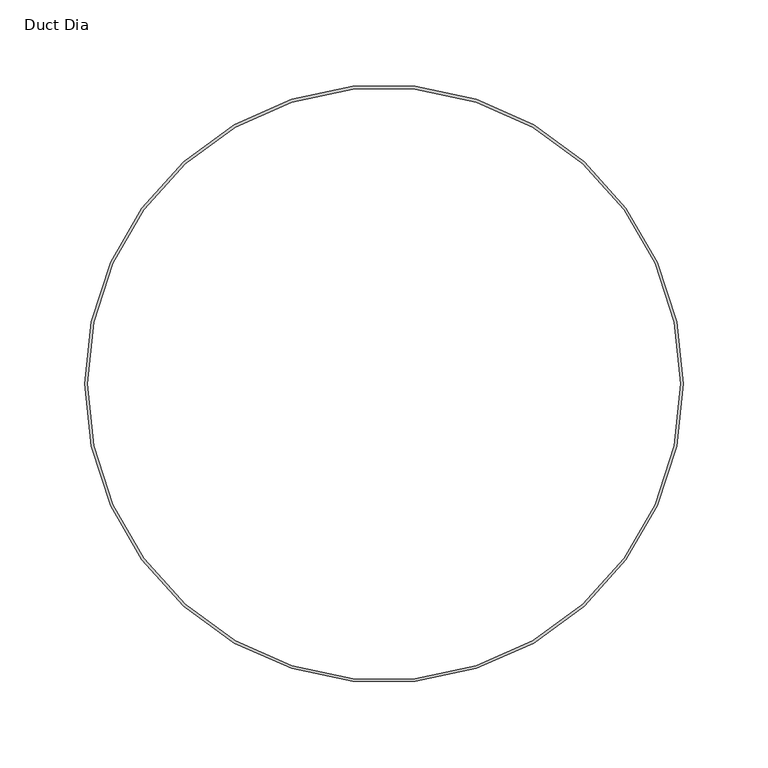
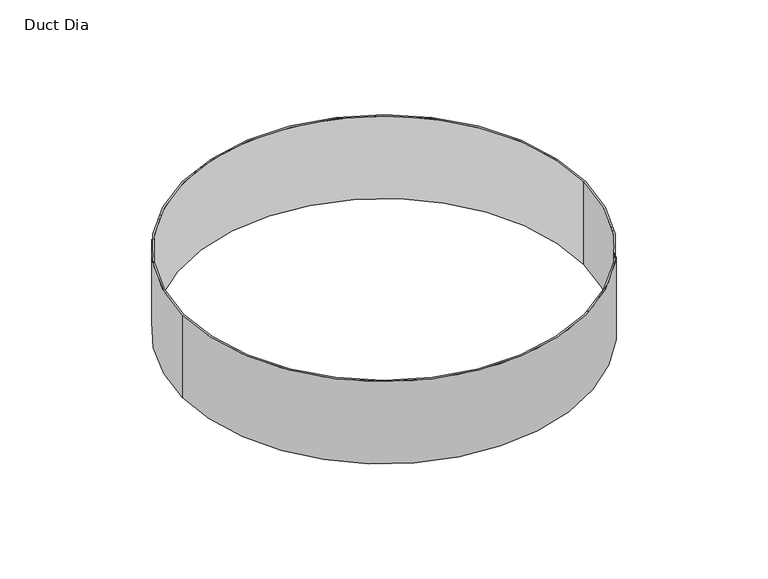
"""IFC4 building model written with IfcOpenShell, lengths in millimetres: proxy geometry, Duct Dia."""

from ifc_helpers import new_model, si_unit, point, origin, origin_with_axes, origin_2d, place, context, project, spatial, circle_curve, trimmed, segment, composite_curve, outline, extrude, source, transform, mapped, element, save


def duct_dia_06e203b3(model_context):
    return source(origin(), model_context, "Body", "SweptSolid", [
        extrude(outline(composite_curve([segment(trimmed(circle_curve(origin_2d(), 176.2621094), [point((-176.2621094, 0.0))], [point((176.2621094, 0.0))], False, "CARTESIAN"), True, "CONTINUOUS"), segment(trimmed(circle_curve(origin_2d(), 176.2621094), [point((176.2621094, 0.0))], [point((-176.2621094, 0.0))], False, "CARTESIAN"), True, "CONTINUOUS")], self_intersect=False), holes=[composite_curve([segment(trimmed(circle_curve(origin_2d(), 174.6746094), [point((-174.6746094, 0.0))], [point((174.6746094, 0.0))], True, "CARTESIAN"), True, "CONTINUOUS"), segment(trimmed(circle_curve(origin_2d(), 174.6746094), [point((174.6746094, 0.0))], [point((-174.6746094, 0.0))], True, "CARTESIAN"), True, "CONTINUOUS")], self_intersect=False)]), origin_with_axes(), (0.0, 0.0, 1.0), 76.2),
    ])


if __name__ == "__main__":
    model = new_model("IFC4")
    model_context = context("Model", 3, world=origin())
    ifc_project = project(units=[si_unit("LENGTHUNIT", "METRE", prefix="MILLI")], contexts=[model_context])
    site = spatial("IfcSite", under=ifc_project)
    building = spatial("IfcBuilding", under=site)
    placement = place(None, origin())
    duct_dia_shape = duct_dia_06e203b3(model_context)
    element("IfcBuildingElementProxy", 1, Name="Duct Dia", ObjectType="Duct Dia", at=placement, inside=building, context=model_context, shape_type="MappedRepresentation", body=[
        mapped(duct_dia_shape, transform((0.0, 0.0, 0.0), x_axis=(1.0, 0.0, 0.0), y_axis=(0.0, 1.0, 0.0), z_axis=(0.0, 0.0, 1.0))),
    ])
    save(model, "model.ifc")
